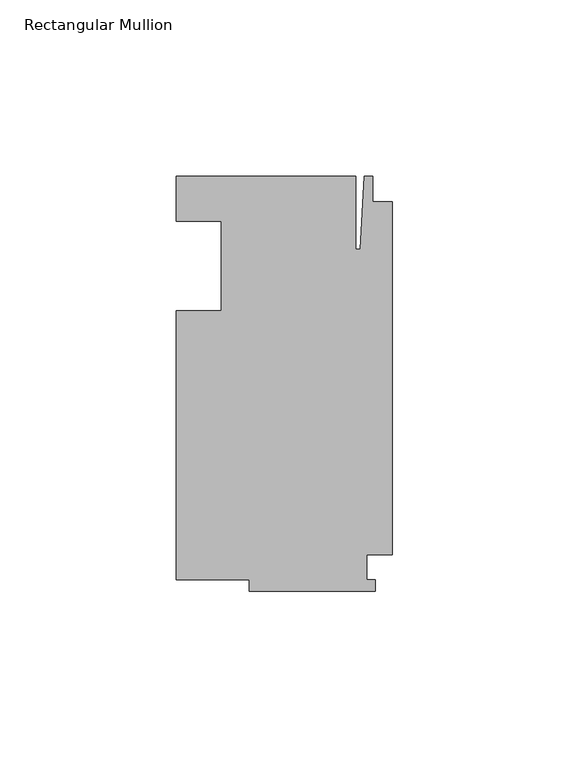
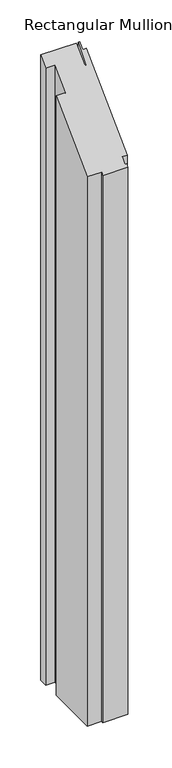
"""IFC4 building model written with IfcOpenShell, lengths in millimetres: member geometry, Rectangular Mullion."""

from ifc_helpers import new_model, si_unit, origin, place, context, project, spatial, faceted_brep, source, transform, mapped, element, save


def rectangular_mullion_07fc4fcc(model_context):
    return source(origin(), model_context, "Body", "Brep", [
        faceted_brep([(-48.41875, -12.7, -914.4), (-48.41875, 12.7, -914.4), (-61.11875, 12.7, -914.4), (-61.11875, 25.4, -914.4), (-10.31875, 25.4, -914.4), (-10.31875, 4.7625, -914.4), (-9.0190655, 4.7625, -914.4), (-7.9375, 25.4, -914.4), (-5.55625, 25.4, -914.4), (-5.55625, 18.25625, -914.4), (0.0, 18.25625, -914.4), (0.0, -81.75625, -914.4), (-7.14375, -81.75625, -914.4), (-7.14375, -88.9, -914.4), (-4.7625, -88.9, -914.4), (-4.7625, -92.075, -914.4), (-40.48125, -92.075, -914.4), (-40.48125, -88.9, -914.4), (-61.11875, -88.9, -914.4), (-61.11875, -12.7, -914.4), (-61.11875, -12.7, -12.7), (-48.41875, -12.7, -12.7), (-61.11875, -88.9, -88.9), (-40.48125, -88.9, -88.9), (-40.48125, -92.075, -92.075), (-4.7625, -92.075, -92.075), (-4.7625, -88.9, -88.9), (-7.14375, -88.9, -88.9), (-7.14375, -81.75625, -81.75625), (0.0, -81.75625, -81.75625), (0.0, 18.25625, 18.25625), (-5.55625, 18.25625, 18.25625), (-5.55625, 25.4, 25.4), (-7.9375, 25.4, 25.4), (-9.0190655, 4.7625, 4.7625), (-10.31875, 4.7625, 4.7625), (-10.31875, 25.4, 25.4), (-61.11875, 25.4, 25.4), (-61.11875, 12.7, 12.7), (-48.41875, 12.7, 12.7)], [[[0, 1, 2, 3, 4, 5, 6, 7, 8, 9, 10, 11, 12, 13, 14, 15, 16, 17, 18, 19]], [[20, 21, 0, 19]], [[22, 20, 19, 18]], [[23, 22, 18, 17]], [[24, 23, 17, 16]], [[25, 24, 16, 15]], [[26, 25, 15, 14]], [[27, 26, 14, 13]], [[28, 27, 13, 12]], [[29, 28, 12, 11]], [[30, 29, 11, 10]], [[31, 30, 10, 9]], [[32, 31, 9, 8]], [[33, 32, 8, 7]], [[34, 33, 7, 6]], [[35, 34, 6, 5]], [[36, 35, 5, 4]], [[37, 36, 4, 3]], [[38, 37, 3, 2]], [[39, 38, 2, 1]], [[21, 39, 1, 0]], [[21, 20, 22, 23, 24, 25, 26, 27, 28, 29, 30, 31, 32, 33, 34, 35, 36, 37, 38, 39]]]),
    ])


if __name__ == "__main__":
    model = new_model("IFC4")
    model_context = context("Model", 3, world=origin())
    ifc_project = project(units=[si_unit("LENGTHUNIT", "METRE", prefix="MILLI")], contexts=[model_context])
    site = spatial("IfcSite", under=ifc_project)
    building = spatial("IfcBuilding", under=site)
    placement = place(None, origin())
    rectangular_mullion_shape = rectangular_mullion_07fc4fcc(model_context)
    element("IfcMember", 1, ObjectType="Rectangular Mullion", at=placement, inside=building, context=model_context, shape_type="MappedRepresentation", body=[
        mapped(rectangular_mullion_shape, transform((0.0, 0.0, 0.0), x_axis=(1.0, 0.0, 0.0), y_axis=(0.0, 1.0, 0.0), z_axis=(0.0, 0.0, 1.0))),
    ])
    save(model, "model.ifc")
